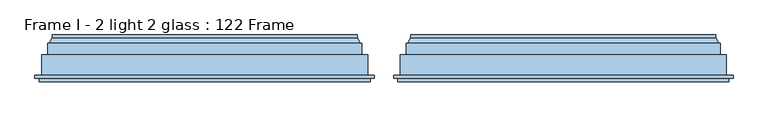
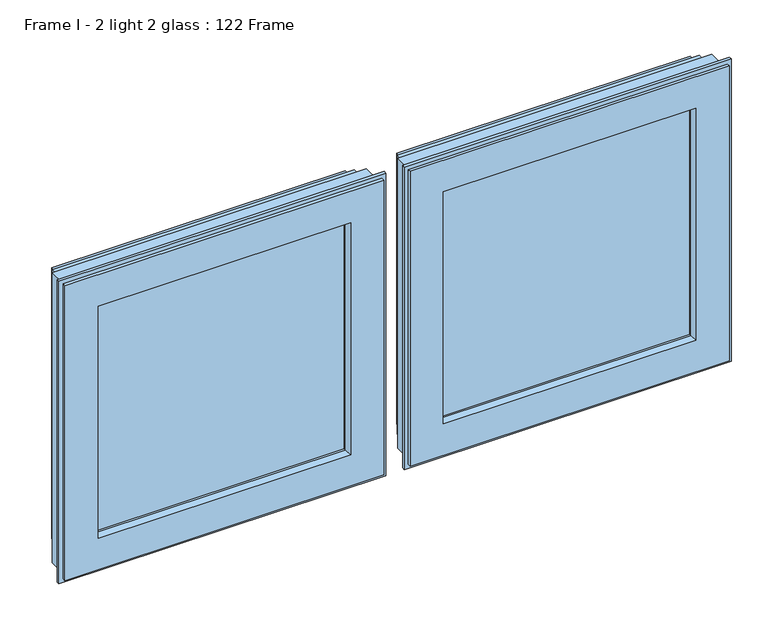
"""IFC4 building model written with IfcOpenShell, lengths in millimetres: window geometry, Frame I - 2 light 2 glass : 122 Frame."""

from ifc_helpers import new_model, si_unit, frame, origin, place, context, project, spatial, polyline, ellipse_curve, outline, extrude, source, transform, mapped, element, save
from ifc_brep_helpers import plane_surface, cylinder_surface, revolved_surface, advanced_brep


def frame_i_2_light_2_glass_122_frame_5e8e6eac(model_context):
    return source(origin(), model_context, "Body", "SolidModel", [
        extrude(outline(polyline([(-510.0, 141.0), (-65.6, 141.0), (-65.6, 93.0), (-510.0, 93.0), (-510.0, 141.0)])), frame((0.0, 0.0, 1878.0), z_axis=(0.0, 0.0, 1.0), x_axis=(1.0, 0.0, 0.0)), (0.0, 0.0, 1.0), 432.0),
        advanced_brep(
        [(-532.3998467, 153.0, 2332.3998467), (-532.3998467, 148.4070391, 2332.3998467), (-43.2001533, 148.4070391, 2332.3998467), (-43.2001533, 153.0, 2332.3998467), (-43.2001533, 148.4070391, 1855.2001533), (-43.2001533, 153.0, 1855.2001533), (-37.9260611, 139.5531262, 2337.6739389), (-37.9260611, 139.5531262, 1849.9260611), (-532.3998467, 153.0, 1855.2001533), (-62.6368924, 153.0, 2312.9631076), (-512.9631076, 153.0, 2312.9631076), (-512.9631076, 153.0, 1874.6368924), (-62.6368924, 153.0, 1874.6368924), (-537.6739389, 139.5531262, 2337.6739389), (-36.0866045, 139.5531262, 1848.0866045), (-539.5133955, 139.5531262, 1848.0866045), (-539.5133955, 139.5531262, 2339.5133955), (-36.0866045, 139.5531262, 2339.5133955), (-537.6739389, 139.5531262, 1849.9260611), (-539.5133955, 121.0, 2339.5133955), (-36.0866045, 121.0, 2339.5133955), (-36.0866045, 121.0, 1848.0866045), (-26.0866045, 121.0, 1838.0866045), (-549.5133955, 121.0, 1838.0866045), (-549.5133955, 121.0, 2349.5133955), (-26.0866045, 121.0, 2349.5133955), (-539.5133955, 121.0, 1848.0866045), (-549.5133955, 88.5, 2349.5133955), (-26.0866045, 88.5, 2349.5133955), (-26.0866045, 88.5, 1838.0866045), (-15.3023, 88.5, 1827.3023), (-560.2977, 88.5, 1827.3023), (-560.2977, 88.5, 2360.2977), (-15.3023, 88.5, 2360.2977), (-549.5133955, 88.5, 1838.0866045), (-560.2977, 83.5, 2360.2977), (-15.3023, 83.5, 2360.2977), (-15.3023, 83.5, 1827.3023), (-560.2977, 83.5, 1827.3023), (-22.1, 83.5, 1834.1), (-553.5, 83.5, 1834.1), (-553.5, 83.5, 2353.5), (-22.1, 83.5, 2353.5), (-553.5, 78.0, 2353.5), (-22.1, 78.0, 2353.5), (-22.1, 78.0, 1834.1), (-553.5, 78.0, 1834.1), (-77.2842184, 78.0, 1889.2842184), (-498.3157816, 78.0, 1889.2842184), (-498.3157816, 78.0, 2298.3157816), (-77.2842184, 78.0, 2298.3157816), (-510.0, 93.0, 2310.0), (-510.0, 141.0, 2310.0), (-65.6, 141.0, 2310.0), (-65.6, 93.0, 2310.0), (-65.6, 141.0, 1877.6), (-65.6, 93.0, 1877.6), (-510.0, 141.0, 1877.6), (-80.0121514, 141.0, 1892.0121514), (-495.5878486, 141.0, 1892.0121514), (-495.5878486, 141.0, 2295.5878486), (-80.0121514, 141.0, 2295.5878486), (-510.0, 93.0, 1877.6), (-79.5996933, 93.0, 2296.0003067), (-496.0003067, 93.0, 2296.0003067), (-496.0003067, 93.0, 1891.5996933), (-79.5996933, 93.0, 1891.5996933), (-506.0349044, 153.0, 2306.0349044), (-507.3339425, 152.25, 2307.3339425), (-68.2660575, 152.25, 2307.3339425), (-69.5650956, 153.0, 2306.0349044), (-68.2660575, 152.25, 1880.2660575), (-69.5650956, 153.0, 1881.5650956), (-63.9359305, 152.25, 2311.6640695), (-63.9359305, 152.25, 1875.9359305), (-506.0349044, 153.0, 1881.5650956), (-76.3433832, 153.0, 2299.2566168), (-499.2566168, 153.0, 2299.2566168), (-499.2566168, 153.0, 1888.3433832), (-76.3433832, 153.0, 1888.3433832), (-511.6640695, 152.25, 2311.6640695), (-532.3998467, 148.4070391, 1855.2001533), (-507.3339425, 152.25, 1880.2660575), (-511.6640695, 152.25, 1875.9359305), (-79.5996933, 88.8934531, 2296.0003067), (-79.5996933, 88.8934531, 1891.5996933), (-496.0003067, 88.8934531, 1891.5996933), (-496.0003067, 88.8934531, 2296.0003067)],
        [
            (0, 1),
            (1, 2),
            (2, 3),
            (3, 0),
            (2, 4),
            (4, 5),
            (5, 3),
            (2, 6),
            (6, 7),
            (7, 4),
            (5, 8),
            (8, 0),
            (9, 10),
            (10, 11),
            (11, 12),
            (12, 9),
            (1, 13),
            (13, 6),
            (14, 15),
            (15, 16),
            (16, 17),
            (17, 14),
            (13, 18),
            (18, 7),
            (16, 19),
            (19, 20),
            (20, 17),
            (20, 21),
            (21, 14),
            (22, 23),
            (23, 24),
            (24, 25),
            (25, 22),
            (19, 26),
            (26, 21),
            (24, 27),
            (27, 28),
            (28, 25),
            (28, 29),
            (29, 22),
            (30, 31),
            (31, 32),
            (32, 33),
            (33, 30),
            (27, 34),
            (34, 29),
            (32, 35),
            (35, 36),
            (36, 33),
            (36, 37),
            (37, 30),
            (35, 38),
            (38, 37),
            (39, 40),
            (40, 41),
            (41, 42),
            (42, 39),
            (41, 43),
            (43, 44),
            (44, 42),
            (44, 45),
            (45, 39),
            (43, 46),
            (46, 45),
            (47, 48),
            (48, 49),
            (49, 50),
            (50, 47),
            (51, 52),
            (52, 53),
            (53, 54),
            (54, 51),
            (53, 55),
            (55, 56),
            (56, 54),
            (52, 57),
            (57, 55),
            (58, 59),
            (59, 60),
            (60, 61),
            (61, 58),
            (56, 62),
            (62, 51),
            (63, 64),
            (64, 65),
            (65, 66),
            (66, 63),
            (67, 68, ellipse_curve(frame((-506.0349044, 151.5, 2306.0349044), z_axis=(0.7071067811865478, 0.0, 0.7071067811865474), x_axis=(-0.7071067811865471, 0.0, 0.7071067811865479)), 2.1213203, 1.5)),
            (68, 69),
            (69, 70, ellipse_curve(frame((-69.5650956, 151.5, 2306.0349044), z_axis=(-0.7071067811865472, 0.0, 0.7071067811865477), x_axis=(-0.7071067811865479, 0.0, -0.7071067811865471)), 2.1213203, 1.5)),
            (70, 67),
            (69, 71),
            (71, 72, ellipse_curve(frame((-69.5650956, 151.5, 1881.5650956), z_axis=(0.7071067811865475, 0.0, 0.7071067811865475), x_axis=(-0.7071067811865474, 0.0, 0.7071067811865476)), 2.1213203, 1.5)),
            (72, 70),
            (69, 73, ellipse_curve(frame((-66.100994, 153.5, 2309.499006), z_axis=(-0.7071067811865472, 0.0, 0.7071067811865477), x_axis=(-0.7071067811865477, 0.0, -0.7071067811865475)), 3.5355339, 2.5)),
            (73, 74),
            (74, 71, ellipse_curve(frame((-66.100994, 153.5, 1878.100994), z_axis=(-0.7071067811865475, 0.0, -0.7071067811865475), x_axis=(0.7071067811865474, 0.0, -0.7071067811865476)), 3.5355339, 2.5)),
            (72, 75),
            (75, 67),
            (76, 77),
            (77, 78),
            (78, 79),
            (79, 76),
            (68, 80, ellipse_curve(frame((-509.499006, 153.5, 2309.499006), z_axis=(-0.7071067811865478, 0.0, -0.7071067811865474), x_axis=(0.7071067811865471, 0.0, -0.7071067811865479)), 3.5355339, 2.5)),
            (80, 73),
            (73, 9, ellipse_curve(frame((-62.6368924, 151.5, 2312.9631076), z_axis=(0.7071067811865472, 0.0, -0.7071067811865477), x_axis=(0.7071067811865477, 0.0, 0.7071067811865475)), 2.1213203, 1.5)),
            (12, 74, ellipse_curve(frame((-62.6368924, 151.5, 1874.6368924), z_axis=(0.7071067811865475, 0.0, 0.7071067811865475), x_axis=(-0.7071067811865474, 0.0, 0.7071067811865476)), 2.1213203, 1.5)),
            (80, 10, ellipse_curve(frame((-512.9631076, 151.5, 2312.9631076), z_axis=(0.7071067811865478, 0.0, 0.7071067811865474), x_axis=(-0.7071067811865471, 0.0, 0.7071067811865479)), 2.1213203, 1.5)),
            (8, 81),
            (81, 1),
            (81, 18),
            (15, 26),
            (23, 34),
            (31, 38),
            (40, 46),
            (62, 57),
            (75, 82, ellipse_curve(frame((-506.0349044, 151.5, 1881.5650956), z_axis=(-0.7071067811865475, 0.0, 0.7071067811865475), x_axis=(-0.7071067811865474, 0.0, -0.7071067811865476)), 2.1213203, 1.5)),
            (82, 68),
            (82, 83, ellipse_curve(frame((-509.499006, 153.5, 1878.100994), z_axis=(0.7071067811865475, 0.0, -0.7071067811865475), x_axis=(0.7071067811865474, 0.0, 0.7071067811865476)), 3.5355339, 2.5)),
            (83, 80),
            (83, 11, ellipse_curve(frame((-512.9631076, 151.5, 1874.6368924), z_axis=(-0.7071067811865475, 0.0, 0.7071067811865475), x_axis=(-0.7071067811865474, 0.0, -0.7071067811865476)), 2.1213203, 1.5)),
            (50, 84),
            (84, 85),
            (85, 47),
            (84, 63),
            (66, 85),
            (61, 76),
            (79, 58),
            (4, 81),
            (85, 86),
            (86, 48),
            (65, 86),
            (78, 59),
            (71, 82),
            (74, 83),
            (86, 87),
            (87, 49),
            (64, 87),
            (77, 60),
            (87, 84),
        ],
        [
            plane_surface(frame((-532.3998467, 148.4070391, 2332.3998467), z_axis=(0.0, 0.0, 1.0), x_axis=(1.0, 0.0, 0.0))),
            plane_surface(frame((-43.2001533, 148.4070391, 2332.3998467), z_axis=(1.0, 0.0, 0.0), x_axis=(0.0, 0.0, -1.0))),
            plane_surface(frame((-37.9260611, 139.5531262, 2337.6739389), z_axis=(0.8591262587254928, 0.5117636872310675, 0.0), x_axis=(0.0, 0.0, -1.0))),
            plane_surface(frame((-532.3998467, 153.0, 2332.3998467), z_axis=(0.0, 1.0, 0.0), x_axis=(1.0, 0.0, 0.0))),
            plane_surface(frame((-537.6739389, 139.5531262, 2337.6739389), z_axis=(0.0, 0.5117636872310675, 0.8591262587254928), x_axis=(1.0, 0.0, 0.0))),
            plane_surface(frame((-539.5133955, 139.5531262, 2339.5133955), z_axis=(0.0, 1.0, 0.0), x_axis=(1.0, 0.0, 0.0))),
            plane_surface(frame((-539.5133955, 121.0, 2339.5133955), z_axis=(0.0, 0.0, 1.0), x_axis=(1.0, 0.0, 0.0))),
            plane_surface(frame((-36.0866045, 121.0, 2339.5133955), z_axis=(1.0, 0.0, 0.0), x_axis=(0.0, 0.0, -1.0))),
            plane_surface(frame((-549.5133955, 121.0, 2349.5133955), z_axis=(0.0, 1.0, 0.0), x_axis=(1.0, 0.0, 0.0))),
            plane_surface(frame((-549.5133955, 88.5, 2349.5133955), z_axis=(0.0, 0.0, 1.0), x_axis=(1.0, 0.0, 0.0))),
            plane_surface(frame((-26.0866045, 88.5, 2349.5133955), z_axis=(1.0, 0.0, 0.0), x_axis=(0.0, 0.0, -1.0))),
            plane_surface(frame((-560.2977, 88.5, 2360.2977), z_axis=(0.0, 1.0, 0.0), x_axis=(1.0, 0.0, 0.0))),
            plane_surface(frame((-560.2977, 83.5, 2360.2977), z_axis=(0.0, 0.0, 1.0), x_axis=(1.0, 0.0, 0.0))),
            plane_surface(frame((-15.3023, 83.5, 2360.2977), z_axis=(1.0, 0.0, 0.0), x_axis=(0.0, 0.0, -1.0))),
            plane_surface(frame((-553.5, 83.5, 2353.5), z_axis=(0.0, -1.0, 0.0), x_axis=(1.0, 0.0, 0.0))),
            plane_surface(frame((-553.5, 78.0, 2353.5), z_axis=(0.0, 0.0, 1.0), x_axis=(1.0, 0.0, 0.0))),
            plane_surface(frame((-22.1, 78.0, 2353.5), z_axis=(1.0, 0.0, 0.0), x_axis=(0.0, 0.0, -1.0))),
            plane_surface(frame((-498.3157816, 78.0, 2298.3157816), z_axis=(0.0, -1.0, 0.0), x_axis=(1.0, 0.0, 0.0))),
            plane_surface(frame((-510.0, 141.0, 2310.0), z_axis=(0.0, 0.0, -1.0), x_axis=(1.0, 0.0, 0.0))),
            plane_surface(frame((-65.6, 141.0, 2310.0), z_axis=(-1.0, 0.0, 0.0), x_axis=(0.0, 0.0, -1.0))),
            plane_surface(frame((-495.5878486, 141.0, 2295.5878486), z_axis=(0.0, -1.0, 0.0), x_axis=(1.0, 0.0, 0.0))),
            plane_surface(frame((-510.0, 93.0, 2310.0), z_axis=(0.0, 1.0, 0.0), x_axis=(1.0, 0.0, 0.0))),
            cylinder_surface(frame((-537.6, 151.5, 2306.0349044), z_axis=(-1.0, 0.0, 0.0), x_axis=(0.0, 1.0, 0.0)), 1.5),
            cylinder_surface(frame((-69.5650956, 151.5, 2337.6), z_axis=(0.0, 0.0, 1.0), x_axis=(0.0, 1.0, 0.0)), 1.5),
            revolved_surface(polyline([(-66.100994, 156.0, 1875.600994004195), (-66.100994, 156.0, 2311.999005995805)]), (-66.100994, 153.5, 2337.6), (0.0, 0.0, -1.0)),
            plane_surface(frame((-506.0349044, 153.0, 2306.0349044), z_axis=(0.0, 1.0, 0.0), x_axis=(1.0, 0.0, 0.0))),
            revolved_surface(polyline([(-63.600994004195115, 156.0, 2309.499006), (-511.9990059958049, 156.0, 2309.499006)]), (-537.6, 153.5, 2309.499006), (1.0, 0.0, 0.0)),
            cylinder_surface(frame((-62.6368924, 151.5, 2337.6), z_axis=(0.0, 0.0, 1.0), x_axis=(0.0, 1.0, 0.0)), 1.5),
            cylinder_surface(frame((-537.6, 151.5, 2312.9631076), z_axis=(-1.0, 0.0, 0.0), x_axis=(0.0, 1.0, 0.0)), 1.5),
            plane_surface(frame((-532.3998467, 148.4070391, 1855.2001533), z_axis=(-1.0, 0.0, 0.0), x_axis=(0.0, 0.0, 1.0))),
            plane_surface(frame((-537.6739389, 139.5531262, 1849.9260611), z_axis=(-0.8591262587254928, 0.5117636872310675, 0.0), x_axis=(0.0, 0.0, 1.0))),
            plane_surface(frame((-539.5133955, 121.0, 1848.0866045), z_axis=(-1.0, 0.0, 0.0), x_axis=(0.0, 0.0, 1.0))),
            plane_surface(frame((-549.5133955, 88.5, 1838.0866045), z_axis=(-1.0, 0.0, 0.0), x_axis=(0.0, 0.0, 1.0))),
            plane_surface(frame((-560.2977, 83.5, 1827.3023), z_axis=(-1.0, 0.0, 0.0), x_axis=(0.0, 0.0, 1.0))),
            plane_surface(frame((-553.5, 78.0, 1834.1), z_axis=(-1.0, 0.0, 0.0), x_axis=(0.0, 0.0, 1.0))),
            plane_surface(frame((-510.0, 141.0, 1877.6), z_axis=(1.0, 0.0, 0.0), x_axis=(0.0, 0.0, 1.0))),
            cylinder_surface(frame((-506.0349044, 151.5, 1850.0), z_axis=(0.0, 0.0, -1.0), x_axis=(0.0, 1.0, 0.0)), 1.5),
            revolved_surface(polyline([(-509.499006, 156.0, 2311.999005995805), (-509.499006, 156.0, 1875.600994004195)]), (-509.499006, 153.5, 1850.0), (0.0, 0.0, 1.0)),
            cylinder_surface(frame((-512.9631076, 151.5, 1850.0), z_axis=(0.0, 0.0, -1.0), x_axis=(0.0, 1.0, 0.0)), 1.5),
            plane_surface(frame((-79.5996933, 88.8934531, 2296.0003067), z_axis=(-0.9781476007338059, -0.20791169081775832, 0.0), x_axis=(0.0, 0.0, -1.0))),
            plane_surface(frame((-79.5996933, 93.0, 2296.0003067), z_axis=(-1.0, 0.0, 0.0), x_axis=(0.0, 0.0, -1.0))),
            plane_surface(frame((-76.3433832, 153.0, 2299.2566168), z_axis=(-0.9563047559629768, 0.2923717047229288, 0.0), x_axis=(0.0, 0.0, -1.0))),
            plane_surface(frame((-43.2001533, 148.4070391, 1855.2001533), z_axis=(0.0, 0.0, -1.0), x_axis=(-1.0, 0.0, 0.0))),
            plane_surface(frame((-37.9260611, 139.5531262, 1849.9260611), z_axis=(0.0, 0.5117636872310675, -0.8591262587254928), x_axis=(-1.0, 0.0, 0.0))),
            plane_surface(frame((-36.0866045, 121.0, 1848.0866045), z_axis=(0.0, 0.0, -1.0), x_axis=(-1.0, 0.0, 0.0))),
            plane_surface(frame((-26.0866045, 88.5, 1838.0866045), z_axis=(0.0, 0.0, -1.0), x_axis=(-1.0, 0.0, 0.0))),
            plane_surface(frame((-15.3023, 83.5, 1827.3023), z_axis=(0.0, 0.0, -1.0), x_axis=(-1.0, 0.0, 0.0))),
            plane_surface(frame((-22.1, 78.0, 1834.1), z_axis=(0.0, 0.0, -1.0), x_axis=(-1.0, 0.0, 0.0))),
            plane_surface(frame((-79.5996933, 88.8934531, 1891.5996933), z_axis=(0.0, -0.20791169081775832, 0.9781476007338059), x_axis=(-1.0, 0.0, 0.0))),
            plane_surface(frame((-79.5996933, 93.0, 1891.5996933), z_axis=(0.0, 0.0, 1.0), x_axis=(-1.0, 0.0, 0.0))),
            plane_surface(frame((-65.6, 141.0, 1877.6), z_axis=(0.0, 0.0, 1.0), x_axis=(-1.0, 0.0, 0.0))),
            plane_surface(frame((-76.3433832, 153.0, 1888.3433832), z_axis=(0.0, 0.2923717047229288, 0.9563047559629768), x_axis=(-1.0, 0.0, 0.0))),
            cylinder_surface(frame((-38.0, 151.5, 1881.5650956), z_axis=(1.0, 0.0, 0.0), x_axis=(0.0, 1.0, 0.0)), 1.5),
            revolved_surface(polyline([(-511.9990059958049, 156.0, 1878.100994), (-63.60099400419508, 156.0, 1878.100994)]), (-38.0, 153.5, 1878.100994), (-1.0, 0.0, 0.0)),
            cylinder_surface(frame((-38.0, 151.5, 1874.6368924), z_axis=(1.0, 0.0, 0.0), x_axis=(0.0, 1.0, 0.0)), 1.5),
            plane_surface(frame((-496.0003067, 88.8934531, 1891.5996933), z_axis=(0.9781476007338059, -0.20791169081775832, 0.0), x_axis=(0.0, 0.0, 1.0))),
            plane_surface(frame((-496.0003067, 93.0, 1891.5996933), z_axis=(1.0, 0.0, 0.0), x_axis=(0.0, 0.0, 1.0))),
            plane_surface(frame((-499.2566168, 153.0, 1888.3433832), z_axis=(0.9563047559629768, 0.2923717047229288, 0.0), x_axis=(0.0, 0.0, 1.0))),
            plane_surface(frame((-496.0003067, 88.8934531, 2296.0003067), z_axis=(0.0, -0.20791169081775832, -0.9781476007338059), x_axis=(1.0, 0.0, 0.0))),
            plane_surface(frame((-496.0003067, 93.0, 2296.0003067), z_axis=(0.0, 0.0, -1.0), x_axis=(1.0, 0.0, 0.0))),
            plane_surface(frame((-499.2566168, 153.0, 2299.2566168), z_axis=(0.0, 0.2923717047229288, -0.9563047559629768), x_axis=(1.0, 0.0, 0.0))),
        ],
        [
            (0, [[1, 2, 3, 4]]),
            (1, [[-3, 5, 6, 7]]),
            (2, [[8, 9, 10, -5]]),
            (3, [[11, 12, -4, -7], [13, 14, 15, 16]]),
            (4, [[17, 18, -8, -2]]),
            (5, [[19, 20, 21, 22], [-18, 23, 24, -9]]),
            (6, [[25, 26, 27, -21]]),
            (7, [[-27, 28, 29, -22]]),
            (8, [[30, 31, 32, 33], [-26, 34, 35, -28]]),
            (9, [[36, 37, 38, -32]]),
            (10, [[-38, 39, 40, -33]]),
            (11, [[41, 42, 43, 44], [-37, 45, 46, -39]]),
            (12, [[47, 48, 49, -43]]),
            (13, [[-49, 50, 51, -44]]),
            (14, [[-48, 52, 53, -50], [54, 55, 56, 57]]),
            (15, [[58, 59, 60, -56]]),
            (16, [[-60, 61, 62, -57]]),
            (17, [[-59, 63, 64, -61], [65, 66, 67, 68]]),
            (18, [[69, 70, 71, 72]]),
            (19, [[-71, 73, 74, 75]]),
            (20, [[-70, 76, 77, -73], [78, 79, 80, 81]]),
            (21, [[82, 83, -72, -75], [84, 85, 86, 87]]),
            (22, [[88, 89, 90, 91]]),
            (23, [[-90, 92, 93, 94]]),
            (24, [[95, 96, 97, -92]]),
            (25, [[98, 99, -91, -94], [100, 101, 102, 103]]),
            (26, [[104, 105, -95, -89]]),
            (27, [[106, -16, 107, -96]]),
            (28, [[108, -13, -106, -105]]),
            (29, [[109, 110, -1, -12]]),
            (30, [[111, -23, -17, -110]]),
            (31, [[112, -34, -25, -20]]),
            (32, [[113, -45, -36, -31]]),
            (33, [[114, -52, -47, -42]]),
            (34, [[115, -63, -58, -55]]),
            (35, [[116, -76, -69, -83]]),
            (36, [[117, 118, -88, -99]]),
            (37, [[119, 120, -104, -118]]),
            (38, [[121, -14, -108, -120]]),
            (39, [[122, 123, 124, -68]]),
            (40, [[125, -87, 126, -123]]),
            (41, [[127, -103, 128, -81]]),
            (42, [[-6, 129, -109, -11]]),
            (43, [[-10, -24, -111, -129]]),
            (44, [[-29, -35, -112, -19]]),
            (45, [[-40, -46, -113, -30]]),
            (46, [[-51, -53, -114, -41]]),
            (47, [[-62, -64, -115, -54]]),
            (48, [[-124, 130, 131, -65]]),
            (49, [[-126, -86, 132, -130]]),
            (50, [[-74, -77, -116, -82]]),
            (51, [[-128, -102, 133, -78]]),
            (52, [[-93, 134, -117, -98]]),
            (53, [[-97, 135, -119, -134]]),
            (54, [[-107, -15, -121, -135]]),
            (55, [[-131, 136, 137, -66]]),
            (56, [[-132, -85, 138, -136]]),
            (57, [[-133, -101, 139, -79]]),
            (58, [[-137, 140, -122, -67]]),
            (59, [[-138, -84, -125, -140]]),
            (60, [[-139, -100, -127, -80]]),
        ],
    ),
        extrude(outline(polyline([(65.6, 141.0), (510.0, 141.0), (510.0, 93.0), (65.6, 93.0), (65.6, 141.0)])), frame((0.0, 0.0, 1877.6), z_axis=(0.0, 0.0, 1.0), x_axis=(1.0, 0.0, 0.0)), (0.0, 0.0, 1.0), 432.4),
        advanced_brep(
        [(532.3998467, 148.4070391, 2332.3998467), (532.3998467, 153.0, 2332.3998467), (43.2001533, 153.0, 2332.3998467), (43.2001533, 148.4070391, 2332.3998467), (43.2001533, 153.0, 1855.2001533), (43.2001533, 148.4070391, 1855.2001533), (532.3998467, 153.0, 1855.2001533), (62.6368924, 153.0, 1874.6368924), (512.9631076, 153.0, 1874.6368924), (512.9631076, 153.0, 2312.9631076), (62.6368924, 153.0, 2312.9631076), (37.9260611, 139.5531262, 2337.6739389), (37.9260611, 139.5531262, 1849.9260611), (537.6739389, 139.5531262, 2337.6739389), (36.0866045, 139.5531262, 2339.5133955), (539.5133955, 139.5531262, 2339.5133955), (539.5133955, 139.5531262, 1848.0866045), (36.0866045, 139.5531262, 1848.0866045), (537.6739389, 139.5531262, 1849.9260611), (539.5133955, 121.0, 2339.5133955), (36.0866045, 121.0, 2339.5133955), (36.0866045, 121.0, 1848.0866045), (26.0866045, 121.0, 2349.5133955), (549.5133955, 121.0, 2349.5133955), (549.5133955, 121.0, 1838.0866045), (26.0866045, 121.0, 1838.0866045), (539.5133955, 121.0, 1848.0866045), (549.5133955, 88.5, 2349.5133955), (26.0866045, 88.5, 2349.5133955), (26.0866045, 88.5, 1838.0866045), (15.3023, 88.5, 2360.2977), (560.2976999, 88.5, 2360.2977), (560.2976999, 88.5, 1827.3023), (15.3023, 88.5, 1827.3023), (549.5133955, 88.5, 1838.0866045), (560.2976999, 83.5, 2360.2977), (15.3023, 83.5, 2360.2977), (15.3023, 83.5, 1827.3023), (560.2976999, 83.5, 1827.3023), (22.1, 83.5, 2353.5), (553.5, 83.5, 2353.5), (553.5, 83.5, 1834.1), (22.1, 83.5, 1834.1), (553.5, 78.0, 2353.5), (22.1, 78.0, 2353.5), (22.1, 78.0, 1834.1), (553.5, 78.0, 1834.1), (77.2842184, 78.0, 2298.3157816), (498.3157816, 78.0, 2298.3157816), (498.3157816, 78.0, 1889.2842184), (77.2842184, 78.0, 1889.2842184), (510.0, 141.0, 2310.0), (510.0, 93.0, 2310.0), (65.6, 93.0, 2310.0), (65.6, 141.0, 2310.0), (65.6, 93.0, 1877.6), (65.6, 141.0, 1877.6), (510.0, 93.0, 1877.6), (79.5996933, 93.0, 1891.5996933), (496.0003067, 93.0, 1891.5996933), (496.0003067, 93.0, 2296.0003067), (79.5996933, 93.0, 2296.0003067), (510.0, 141.0, 1877.6), (80.0121514, 141.0, 2295.5878486), (495.5878486, 141.0, 2295.5878486), (495.5878486, 141.0, 1892.0121514), (80.0121514, 141.0, 1892.0121514), (507.3339425, 152.25, 2307.3339425), (506.0349044, 153.0, 2306.0349044), (69.5650956, 153.0, 2306.0349044), (68.2660575, 152.25, 2307.3339425), (69.5650956, 153.0, 1881.5650956), (68.2660575, 152.25, 1880.2660575), (506.0349044, 153.0, 1881.5650956), (76.3433832, 153.0, 1888.3433832), (499.2566168, 153.0, 1888.3433832), (499.2566168, 153.0, 2299.2566168), (76.3433832, 153.0, 2299.2566168), (63.9359305, 152.25, 2311.6640695), (63.9359305, 152.25, 1875.9359305), (511.6640695, 152.25, 2311.6640695), (532.3998467, 148.4070391, 1855.2001533), (507.3339425, 152.25, 1880.2660575), (511.6640695, 152.25, 1875.9359305), (79.5996933, 88.8934531, 2296.0003067), (79.5996933, 88.8934531, 1891.5996933), (496.0003067, 88.8934531, 1891.5996933), (496.0003067, 88.8934531, 2296.0003067)],
        [
            (0, 1),
            (1, 2),
            (2, 3),
            (3, 0),
            (2, 4),
            (4, 5),
            (5, 3),
            (1, 6),
            (6, 4),
            (7, 8),
            (8, 9),
            (9, 10),
            (10, 7),
            (11, 3),
            (5, 12),
            (12, 11),
            (13, 0),
            (11, 13),
            (14, 15),
            (15, 16),
            (16, 17),
            (17, 14),
            (12, 18),
            (18, 13),
            (19, 15),
            (14, 20),
            (20, 19),
            (17, 21),
            (21, 20),
            (22, 23),
            (23, 24),
            (24, 25),
            (25, 22),
            (21, 26),
            (26, 19),
            (27, 23),
            (22, 28),
            (28, 27),
            (25, 29),
            (29, 28),
            (30, 31),
            (31, 32),
            (32, 33),
            (33, 30),
            (29, 34),
            (34, 27),
            (35, 31),
            (30, 36),
            (36, 35),
            (33, 37),
            (37, 36),
            (37, 38),
            (38, 35),
            (39, 40),
            (40, 41),
            (41, 42),
            (42, 39),
            (43, 40),
            (39, 44),
            (44, 43),
            (42, 45),
            (45, 44),
            (45, 46),
            (46, 43),
            (47, 48),
            (48, 49),
            (49, 50),
            (50, 47),
            (51, 52),
            (52, 53),
            (53, 54),
            (54, 51),
            (53, 55),
            (55, 56),
            (56, 54),
            (52, 57),
            (57, 55),
            (58, 59),
            (59, 60),
            (60, 61),
            (61, 58),
            (56, 62),
            (62, 51),
            (63, 64),
            (64, 65),
            (65, 66),
            (66, 63),
            (67, 68, ellipse_curve(frame((506.0349044, 151.5, 2306.0349044), z_axis=(-0.7071067811865475, 0.0, 0.7071067811865475), x_axis=(0.7071067811865476, 0.0, 0.7071067811865474)), 2.1213203, 1.5)),
            (68, 69),
            (69, 70, ellipse_curve(frame((69.5650956, 151.5, 2306.0349044), z_axis=(0.7071067811865475, 0.0, 0.7071067811865475), x_axis=(0.7071067811865476, 0.0, -0.7071067811865474)), 2.1213203, 1.5)),
            (70, 67),
            (69, 71),
            (71, 72, ellipse_curve(frame((69.5650956, 151.5, 1881.5650956), z_axis=(-0.7071067811865475, 0.0, 0.7071067811865475), x_axis=(0.7071067811865474, 0.0, 0.7071067811865476)), 2.1213203, 1.5)),
            (72, 70),
            (68, 73),
            (73, 71),
            (74, 75),
            (75, 76),
            (76, 77),
            (77, 74),
            (78, 70, ellipse_curve(frame((66.100994, 153.5, 2309.499006), z_axis=(0.7071067811865475, 0.0, 0.7071067811865475), x_axis=(0.7071067811865474, 0.0, -0.7071067811865476)), 3.5355339, 2.5)),
            (72, 79, ellipse_curve(frame((66.100994, 153.5, 1878.100994), z_axis=(0.7071067811865475, 0.0, -0.7071067811865475), x_axis=(-0.7071067811865474, 0.0, -0.7071067811865476)), 3.5355339, 2.5)),
            (79, 78),
            (80, 67, ellipse_curve(frame((509.499006, 153.5, 2309.499006), z_axis=(0.7071067811865475, 0.0, -0.7071067811865475), x_axis=(-0.7071067811865476, 0.0, -0.7071067811865474)), 3.5355339, 2.5)),
            (78, 80),
            (10, 78, ellipse_curve(frame((62.6368924, 151.5, 2312.9631076), z_axis=(-0.7071067811865475, 0.0, -0.7071067811865475), x_axis=(-0.7071067811865474, 0.0, 0.7071067811865476)), 2.1213203, 1.5)),
            (79, 7, ellipse_curve(frame((62.6368924, 151.5, 1874.6368924), z_axis=(-0.7071067811865475, 0.0, 0.7071067811865475), x_axis=(0.7071067811865474, 0.0, 0.7071067811865476)), 2.1213203, 1.5)),
            (9, 80, ellipse_curve(frame((512.9631076, 151.5, 2312.9631076), z_axis=(-0.7071067811865475, 0.0, 0.7071067811865475), x_axis=(0.7071067811865476, 0.0, 0.7071067811865474)), 2.1213203, 1.5)),
            (81, 6),
            (0, 81),
            (18, 81),
            (26, 16),
            (34, 24),
            (38, 32),
            (46, 41),
            (62, 57),
            (82, 73, ellipse_curve(frame((506.0349044, 151.5, 1881.5650956), z_axis=(0.7071067811865475, 0.0, 0.7071067811865475), x_axis=(0.7071067811865474, 0.0, -0.7071067811865476)), 2.1213203, 1.5)),
            (67, 82),
            (83, 82, ellipse_curve(frame((509.499006, 153.5, 1878.100994), z_axis=(-0.7071067811865475, 0.0, -0.7071067811865475), x_axis=(-0.7071067811865474, 0.0, 0.7071067811865476)), 3.5355339, 2.5)),
            (80, 83),
            (8, 83, ellipse_curve(frame((512.9631076, 151.5, 1874.6368924), z_axis=(0.7071067811865475, 0.0, 0.7071067811865475), x_axis=(0.7071067811865474, 0.0, -0.7071067811865476)), 2.1213203, 1.5)),
            (84, 47),
            (50, 85),
            (85, 84),
            (61, 84),
            (85, 58),
            (77, 63),
            (66, 74),
            (81, 5),
            (49, 86),
            (86, 85),
            (86, 59),
            (65, 75),
            (82, 72),
            (83, 79),
            (48, 87),
            (87, 86),
            (87, 60),
            (64, 76),
            (84, 87),
        ],
        [
            plane_surface(frame((532.3998467, 153.0, 2332.3998467), z_axis=(0.0, 0.0, 1.0), x_axis=(-1.0, 0.0, 0.0))),
            plane_surface(frame((43.2001533, 153.0, 2332.3998467), z_axis=(-1.0, 0.0, 0.0), x_axis=(0.0, 0.0, -1.0))),
            plane_surface(frame((512.9631076, 153.0, 2312.9631076), z_axis=(0.0, 1.0, 0.0), x_axis=(-1.0, 0.0, 0.0))),
            plane_surface(frame((43.2001533, 148.4070391, 2332.3998467), z_axis=(-0.8591262587254928, 0.5117636872310675, 0.0), x_axis=(0.0, 0.0, -1.0))),
            plane_surface(frame((532.3998467, 148.4070391, 2332.3998467), z_axis=(0.0, 0.5117636872310675, 0.8591262587254928), x_axis=(-1.0, 0.0, 0.0))),
            plane_surface(frame((537.6739389, 139.5531262, 2337.6739389), z_axis=(0.0, 1.0, 0.0), x_axis=(-1.0, 0.0, 0.0))),
            plane_surface(frame((539.5133955, 139.5531262, 2339.5133955), z_axis=(0.0, 0.0, 1.0), x_axis=(-1.0, 0.0, 0.0))),
            plane_surface(frame((36.0866045, 139.5531262, 2339.5133955), z_axis=(-1.0, 0.0, 0.0), x_axis=(0.0, 0.0, -1.0))),
            plane_surface(frame((539.5133955, 121.0, 2339.5133955), z_axis=(0.0, 1.0, 0.0), x_axis=(-1.0, 0.0, 0.0))),
            plane_surface(frame((549.5133955, 121.0, 2349.5133955), z_axis=(0.0, 0.0, 1.0), x_axis=(-1.0, 0.0, 0.0))),
            plane_surface(frame((26.0866045, 121.0, 2349.5133955), z_axis=(-1.0, 0.0, 0.0), x_axis=(0.0, 0.0, -1.0))),
            plane_surface(frame((549.5133955, 88.5, 2349.5133955), z_axis=(0.0, 1.0, 0.0), x_axis=(-1.0, 0.0, 0.0))),
            plane_surface(frame((560.2976999, 88.5, 2360.2977), z_axis=(0.0, 0.0, 1.0), x_axis=(-1.0, 0.0, 0.0))),
            plane_surface(frame((15.3023, 88.5, 2360.2977), z_axis=(-1.0, 0.0, 0.0), x_axis=(0.0, 0.0, -1.0))),
            plane_surface(frame((560.2976999, 83.5, 2360.2977), z_axis=(0.0, -1.0, 0.0), x_axis=(-1.0, 0.0, 0.0))),
            plane_surface(frame((553.5, 83.5, 2353.5), z_axis=(0.0, 0.0, 1.0), x_axis=(-1.0, 0.0, 0.0))),
            plane_surface(frame((22.1, 83.5, 2353.5), z_axis=(-1.0, 0.0, 0.0), x_axis=(0.0, 0.0, -1.0))),
            plane_surface(frame((553.5, 78.0, 2353.5), z_axis=(0.0, -1.0, 0.0), x_axis=(-1.0, 0.0, 0.0))),
            plane_surface(frame((510.0, 93.0, 2310.0), z_axis=(0.0, 0.0, -1.0), x_axis=(-1.0, 0.0, 0.0))),
            plane_surface(frame((65.6, 93.0, 2310.0), z_axis=(1.0, 0.0, 0.0), x_axis=(0.0, 0.0, -1.0))),
            plane_surface(frame((496.0003067, 93.0, 2296.0003067), z_axis=(0.0, 1.0, 0.0), x_axis=(-1.0, 0.0, 0.0))),
            plane_surface(frame((510.0, 141.0, 2310.0), z_axis=(0.0, -1.0, 0.0), x_axis=(-1.0, 0.0, 0.0))),
            cylinder_surface(frame((537.6, 151.5, 2306.0349044), z_axis=(1.0, 0.0, 0.0), x_axis=(0.0, 1.0, 0.0)), 1.5),
            cylinder_surface(frame((69.5650956, 151.5, 2337.6), z_axis=(0.0, 0.0, 1.0), x_axis=(0.0, 1.0, 0.0)), 1.5),
            plane_surface(frame((499.2566168, 153.0, 2299.2566168), z_axis=(0.0, 1.0, 0.0), x_axis=(-1.0, 0.0, 0.0))),
            revolved_surface(polyline([(66.100994, 156.0, 1875.600994004195), (66.100994, 156.0, 2311.999005995805)]), (66.100994, 153.5, 2337.6), (0.0, 0.0, -1.0)),
            revolved_surface(polyline([(63.600994004195115, 156.0, 2309.499006), (511.9990059958049, 156.0, 2309.499006)]), (537.6, 153.5, 2309.499006), (-1.0, 0.0, 0.0)),
            cylinder_surface(frame((62.6368924, 151.5, 2337.6), z_axis=(0.0, 0.0, 1.0), x_axis=(0.0, 1.0, 0.0)), 1.5),
            cylinder_surface(frame((537.6, 151.5, 2312.9631076), z_axis=(1.0, 0.0, 0.0), x_axis=(0.0, 1.0, 0.0)), 1.5),
            plane_surface(frame((532.3998467, 153.0, 1855.2001533), z_axis=(1.0, 0.0, 0.0), x_axis=(0.0, 0.0, 1.0))),
            plane_surface(frame((532.3998467, 148.4070391, 1855.2001533), z_axis=(0.8591262587254928, 0.5117636872310675, 0.0), x_axis=(0.0, 0.0, 1.0))),
            plane_surface(frame((539.5133955, 139.5531262, 1848.0866045), z_axis=(1.0, 0.0, 0.0), x_axis=(0.0, 0.0, 1.0))),
            plane_surface(frame((549.5133955, 121.0, 1838.0866045), z_axis=(1.0, 0.0, 0.0), x_axis=(0.0, 0.0, 1.0))),
            plane_surface(frame((560.2976999, 88.5, 1827.3023), z_axis=(1.0, 0.0, 0.0), x_axis=(0.0, 0.0, 1.0))),
            plane_surface(frame((553.5, 83.5, 1834.1), z_axis=(1.0, 0.0, 0.0), x_axis=(0.0, 0.0, 1.0))),
            plane_surface(frame((510.0, 93.0, 1877.6), z_axis=(-1.0, 0.0, 0.0), x_axis=(0.0, 0.0, 1.0))),
            cylinder_surface(frame((506.0349044, 151.5, 1850.0), z_axis=(0.0, 0.0, -1.0), x_axis=(0.0, 1.0, 0.0)), 1.5),
            revolved_surface(polyline([(509.499006, 156.0, 2311.999005995805), (509.499006, 156.0, 1875.600994004195)]), (509.499006, 153.5, 1850.0), (0.0, 0.0, 1.0)),
            cylinder_surface(frame((512.9631076, 151.5, 1850.0), z_axis=(0.0, 0.0, -1.0), x_axis=(0.0, 1.0, 0.0)), 1.5),
            plane_surface(frame((77.2842184, 78.0, 2298.3157816), z_axis=(0.9781476007338059, -0.20791169081775832, 0.0), x_axis=(0.0, 0.0, -1.0))),
            plane_surface(frame((79.5996933, 88.8934531, 2296.0003067), z_axis=(1.0, 0.0, 0.0), x_axis=(0.0, 0.0, -1.0))),
            plane_surface(frame((80.0121514, 141.0, 2295.5878486), z_axis=(0.9563047559629767, 0.29237170472292917, 0.0), x_axis=(0.0, 0.0, -1.0))),
            plane_surface(frame((43.2001533, 153.0, 1855.2001533), z_axis=(0.0, 0.0, -1.0), x_axis=(1.0, 0.0, 0.0))),
            plane_surface(frame((43.2001533, 148.4070391, 1855.2001533), z_axis=(0.0, 0.5117636872310675, -0.8591262587254928), x_axis=(1.0, 0.0, 0.0))),
            plane_surface(frame((36.0866045, 139.5531262, 1848.0866045), z_axis=(0.0, 0.0, -1.0), x_axis=(1.0, 0.0, 0.0))),
            plane_surface(frame((26.0866045, 121.0, 1838.0866045), z_axis=(0.0, 0.0, -1.0), x_axis=(1.0, 0.0, 0.0))),
            plane_surface(frame((15.3023, 88.5, 1827.3023), z_axis=(0.0, 0.0, -1.0), x_axis=(1.0, 0.0, 0.0))),
            plane_surface(frame((22.1, 83.5, 1834.1), z_axis=(0.0, 0.0, -1.0), x_axis=(1.0, 0.0, 0.0))),
            plane_surface(frame((77.2842184, 78.0, 1889.2842184), z_axis=(0.0, -0.20791169081775832, 0.9781476007338059), x_axis=(1.0, 0.0, 0.0))),
            plane_surface(frame((79.5996933, 88.8934531, 1891.5996933), z_axis=(0.0, 0.0, 1.0), x_axis=(1.0, 0.0, 0.0))),
            plane_surface(frame((65.6, 93.0, 1877.6), z_axis=(0.0, 0.0, 1.0), x_axis=(1.0, 0.0, 0.0))),
            plane_surface(frame((80.0121514, 141.0, 1892.0121514), z_axis=(0.0, 0.29237170472292917, 0.9563047559629767), x_axis=(1.0, 0.0, 0.0))),
            cylinder_surface(frame((38.0, 151.5, 1881.5650956), z_axis=(-1.0, 0.0, 0.0), x_axis=(0.0, 1.0, 0.0)), 1.5),
            revolved_surface(polyline([(511.9990059958049, 156.0, 1878.100994), (63.60099400419508, 156.0, 1878.100994)]), (38.0, 153.5, 1878.100994), (1.0, 0.0, 0.0)),
            cylinder_surface(frame((38.0, 151.5, 1874.6368924), z_axis=(-1.0, 0.0, 0.0), x_axis=(0.0, 1.0, 0.0)), 1.5),
            plane_surface(frame((498.3157816, 78.0, 1889.2842184), z_axis=(-0.9781476007338059, -0.20791169081775832, 0.0), x_axis=(0.0, 0.0, 1.0))),
            plane_surface(frame((496.0003067, 88.8934531, 1891.5996933), z_axis=(-1.0, 0.0, 0.0), x_axis=(0.0, 0.0, 1.0))),
            plane_surface(frame((495.5878486, 141.0, 1892.0121514), z_axis=(-0.9563047559629767, 0.29237170472292917, 0.0), x_axis=(0.0, 0.0, 1.0))),
            plane_surface(frame((498.3157816, 78.0, 2298.3157816), z_axis=(0.0, -0.20791169081775832, -0.9781476007338059), x_axis=(-1.0, 0.0, 0.0))),
            plane_surface(frame((496.0003067, 88.8934531, 2296.0003067), z_axis=(0.0, 0.0, -1.0), x_axis=(-1.0, 0.0, 0.0))),
            plane_surface(frame((495.5878486, 141.0, 2295.5878486), z_axis=(0.0, 0.29237170472292917, -0.9563047559629767), x_axis=(-1.0, 0.0, 0.0))),
        ],
        [
            (0, [[1, 2, 3, 4]]),
            (1, [[-3, 5, 6, 7]]),
            (2, [[-2, 8, 9, -5], [10, 11, 12, 13]]),
            (3, [[14, -7, 15, 16]]),
            (4, [[17, -4, -14, 18]]),
            (5, [[19, 20, 21, 22], [23, 24, -18, -16]]),
            (6, [[25, -19, 26, 27]]),
            (7, [[-26, -22, 28, 29]]),
            (8, [[30, 31, 32, 33], [34, 35, -27, -29]]),
            (9, [[36, -30, 37, 38]]),
            (10, [[-37, -33, 39, 40]]),
            (11, [[41, 42, 43, 44], [45, 46, -38, -40]]),
            (12, [[47, -41, 48, 49]]),
            (13, [[-48, -44, 50, 51]]),
            (14, [[52, 53, -49, -51], [54, 55, 56, 57]]),
            (15, [[58, -54, 59, 60]]),
            (16, [[-59, -57, 61, 62]]),
            (17, [[63, 64, -60, -62], [65, 66, 67, 68]]),
            (18, [[69, 70, 71, 72]]),
            (19, [[-71, 73, 74, 75]]),
            (20, [[-70, 76, 77, -73], [78, 79, 80, 81]]),
            (21, [[82, 83, -72, -75], [84, 85, 86, 87]]),
            (22, [[88, 89, 90, 91]]),
            (23, [[-90, 92, 93, 94]]),
            (24, [[-89, 95, 96, -92], [97, 98, 99, 100]]),
            (25, [[101, -94, 102, 103]]),
            (26, [[104, -91, -101, 105]]),
            (27, [[106, -103, 107, -13]]),
            (28, [[108, -105, -106, -12]]),
            (29, [[109, -8, -1, 110]]),
            (30, [[111, -110, -17, -24]]),
            (31, [[112, -20, -25, -35]]),
            (32, [[113, -31, -36, -46]]),
            (33, [[114, -42, -47, -53]]),
            (34, [[115, -55, -58, -64]]),
            (35, [[116, -76, -69, -83]]),
            (36, [[117, -95, -88, 118]]),
            (37, [[119, -118, -104, 120]]),
            (38, [[121, -120, -108, -11]]),
            (39, [[122, -68, 123, 124]]),
            (40, [[125, -124, 126, -81]]),
            (41, [[127, -87, 128, -100]]),
            (42, [[-6, -9, -109, 129]]),
            (43, [[-15, -129, -111, -23]]),
            (44, [[-28, -21, -112, -34]]),
            (45, [[-39, -32, -113, -45]]),
            (46, [[-50, -43, -114, -52]]),
            (47, [[-61, -56, -115, -63]]),
            (48, [[-123, -67, 130, 131]]),
            (49, [[-126, -131, 132, -78]]),
            (50, [[-74, -77, -116, -82]]),
            (51, [[-128, -86, 133, -97]]),
            (52, [[-93, -96, -117, 134]]),
            (53, [[-102, -134, -119, 135]]),
            (54, [[-107, -135, -121, -10]]),
            (55, [[-130, -66, 136, 137]]),
            (56, [[-132, -137, 138, -79]]),
            (57, [[-133, -85, 139, -98]]),
            (58, [[-136, -65, -122, 140]]),
            (59, [[-138, -140, -125, -80]]),
            (60, [[-139, -84, -127, -99]]),
        ],
    ),
    ])


if __name__ == "__main__":
    model = new_model("IFC4")
    model_context = context("Model", 3, world=origin())
    ifc_project = project(units=[si_unit("LENGTHUNIT", "METRE", prefix="MILLI")], contexts=[model_context])
    site = spatial("IfcSite", under=ifc_project)
    building = spatial("IfcBuilding", under=site)
    placement = place(None, origin())
    frame_i_2_light_2_glass_122_frame_shape = frame_i_2_light_2_glass_122_frame_5e8e6eac(model_context)
    element("IfcWindow", 1, ObjectType="Frame I - 2 light 2 glass : 122 Frame", at=placement, inside=building, context=model_context, shape_type="MappedRepresentation", body=[
        mapped(frame_i_2_light_2_glass_122_frame_shape, transform((0.0, 0.0, 0.0), x_axis=(1.0, 0.0, 0.0), y_axis=(0.0, 1.0, 0.0), z_axis=(0.0, 0.0, 1.0))),
    ])
    save(model, "model.ifc")
